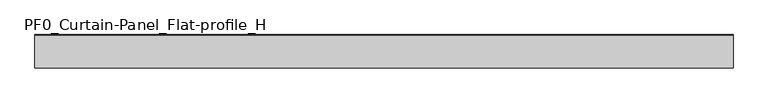
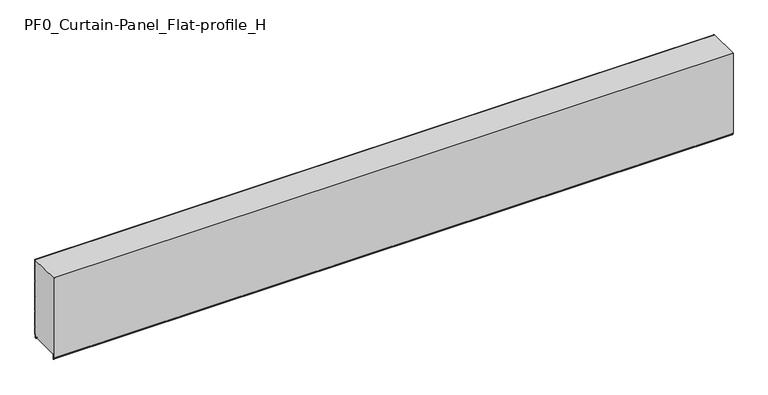
"""IFC4 building model written with IfcOpenShell, lengths in millimetres: plate geometry, PF0_Curtain-Panel_Flat-profile_H."""

from ifc_helpers import new_model, si_unit, point, frame, frame_2d, origin, place, context, project, spatial, polyline, circle_curve, trimmed, segment, composite_curve, outline, extrude, source, transform, mapped, element, save


def pf0_curtain_panel_flat_profile_h_22457aad(model_context):
    return source(origin(), model_context, "Body", "SweptSolid", [
        extrude(outline(composite_curve([segment(polyline([(-15.878557, 0.0), (-20.0, 0.0), (-20.0, 0.8), (-15.878557, 0.8)]), True, "CONTINUOUS"), segment(trimmed(circle_curve(frame_2d((-15.878557, -2.0)), 2.8), [point((-15.878557, 0.8))], [point((-13.1503208, -1.370137))], False, "CARTESIAN"), True, "CONTINUOUS"), segment(polyline([(-13.1503208, -1.370137), (-11.728236, -7.529863)]), True, "CONTINUOUS"), segment(trimmed(circle_curve(frame_2d((-9.0, -6.9)), 2.8), [point((-11.728236, -7.529863))], [point((-6.2, -6.9))], True, "CARTESIAN"), True, "CONTINUOUS"), segment(polyline([(-6.2, -6.9), (-6.2, 8.6)]), True, "CONTINUOUS"), segment(trimmed(circle_curve(frame_2d((-3.4, 8.6)), 2.8), [point((-6.2, 8.6))], [point((-3.4, 11.4))], False, "CARTESIAN"), True, "CONTINUOUS"), segment(polyline([(-3.4, 11.4), (-2.0, 11.4)]), True, "CONTINUOUS"), segment(trimmed(circle_curve(frame_2d((-2.0, 12.6)), 1.2), [point((-2.0, 11.4))], [point((-0.8, 12.6))], True, "CARTESIAN"), True, "CONTINUOUS"), segment(polyline([(-0.8, 12.6), (-0.8, 57.6856412), (-2.482606, 60.6), (-0.8, 63.5143588), (-0.8, 157.6856412), (-2.482606, 160.6), (-0.8, 163.5143588), (-0.8, 257.6856412), (-2.482606, 260.6), (-0.8, 263.5143588), (-0.8, 357.6856412), (-2.482606, 360.6), (-0.8, 363.5143588), (-0.8, 457.6856412), (-2.482606, 460.6), (-0.8, 463.5143588), (-0.8, 500.0), (0.0, 500.0), (0.0, 463.2999995), (-1.5588455, 460.6), (0.0, 457.9000005), (0.0, 363.2999995), (-1.5588455, 360.6), (0.0, 357.9000005), (0.0, 263.2999995), (-1.5588455, 260.6), (0.0, 257.9000005), (0.0, 163.2999995), (-1.5588455, 160.6), (0.0, 157.9000005), (0.0, 63.2999995), (-1.5588455, 60.6), (0.0, 57.9000005), (0.0, 12.6)]), True, "CONTINUOUS"), segment(trimmed(circle_curve(frame_2d((-2.0, 12.6)), 2.0), [point((0.0, 12.6))], [point((-2.0, 10.6))], False, "CARTESIAN"), True, "CONTINUOUS"), segment(polyline([(-2.0, 10.6), (-3.4, 10.6)]), True, "CONTINUOUS"), segment(trimmed(circle_curve(frame_2d((-3.4, 8.6)), 2.0), [point((-3.4, 10.6))], [point((-5.4, 8.6))], True, "CARTESIAN"), True, "CONTINUOUS"), segment(polyline([(-5.4, 8.6), (-5.4, -6.9)]), True, "CONTINUOUS"), segment(trimmed(circle_curve(frame_2d((-9.0, -6.9)), 3.6), [point((-5.4, -6.9))], [point((-12.5077322, -7.7098239))], False, "CARTESIAN"), True, "CONTINUOUS"), segment(polyline([(-12.5077322, -7.7098239), (-13.929817, -1.5500979)]), True, "CONTINUOUS"), segment(trimmed(circle_curve(frame_2d((-15.878557, -2.0)), 2.0), [point((-13.929817, -1.5500979))], [point((-15.878557, 0.0))], True, "CARTESIAN"), True, "CONTINUOUS")], self_intersect=False)), frame((-2100.0, 0.0, 0.0), z_axis=(1.0, 0.0, 0.0), x_axis=(0.0, 1.0, 0.0)), (0.0, 0.0, 1.0), 4200.0),
        extrude(outline(composite_curve([segment(polyline([(-190.0, 0.8), (-193.5, 0.8)]), True, "CONTINUOUS"), segment(trimmed(circle_curve(frame_2d((-193.5, -2.0)), 2.8), [point((-193.5, 0.8))], [point((-196.3, -2.0))], True, "CARTESIAN"), True, "CONTINUOUS"), segment(polyline([(-196.3, -2.0), (-196.3, -32.8700312)]), True, "CONTINUOUS"), segment(trimmed(circle_curve(frame_2d((-196.6, -32.8700312)), 0.3), [point((-196.3, -32.8700312))], [point((-196.9, -32.8700312))], False, "CARTESIAN"), True, "CONTINUOUS"), segment(polyline([(-196.9, -32.8700312), (-196.9, -26.9)]), True, "CONTINUOUS"), segment(trimmed(circle_curve(frame_2d((-198.6133333, -26.9)), 1.7133333), [point((-196.9, -26.9))], [point((-198.4, -25.2))], True, "CARTESIAN"), True, "CONTINUOUS"), segment(trimmed(circle_curve(frame_2d((-198.4, -24.4)), 0.8), [point((-198.4, -25.2))], [point((-199.2, -24.4))], False, "CARTESIAN"), True, "CONTINUOUS"), segment(polyline([(-199.2, -24.4), (-199.2, 500.0), (-0.8, 500.0), (-0.8, 463.5143588), (-2.482606, 460.6), (-0.8, 457.6856412), (-0.8, 363.5143588), (-2.482606, 360.6), (-0.8, 357.6856412), (-0.8, 263.5143588), (-2.482606, 260.6), (-0.8, 257.6856412), (-0.8, 163.5143588), (-2.482606, 160.6), (-0.8, 157.6856412), (-0.8, 63.5143588), (-2.482606, 60.6), (-0.8, 57.6856412), (-0.8, 12.6)]), True, "CONTINUOUS"), segment(trimmed(circle_curve(frame_2d((-2.0, 12.6)), 1.2), [point((-0.8, 12.6))], [point((-2.0, 11.4))], False, "CARTESIAN"), True, "CONTINUOUS"), segment(polyline([(-2.0, 11.4), (-3.4, 11.4)]), True, "CONTINUOUS"), segment(trimmed(circle_curve(frame_2d((-3.4, 8.6)), 2.8), [point((-3.4, 11.4))], [point((-6.2, 8.6))], True, "CARTESIAN"), True, "CONTINUOUS"), segment(polyline([(-6.2, 8.6), (-6.2, -6.9)]), True, "CONTINUOUS"), segment(trimmed(circle_curve(frame_2d((-9.0, -6.9)), 2.8), [point((-6.2, -6.9))], [point((-11.7282362, -7.529863))], False, "CARTESIAN"), True, "CONTINUOUS"), segment(polyline([(-11.7282362, -7.529863), (-13.1503208, -1.370137)]), True, "CONTINUOUS"), segment(trimmed(circle_curve(frame_2d((-15.878557, -2.0)), 2.8), [point((-13.1503208, -1.370137))], [point((-15.878557, 0.8))], True, "CARTESIAN"), True, "CONTINUOUS"), segment(polyline([(-15.878557, 0.8), (-20.0, 0.8), (-20.0, 0.0), (-190.0, 0.0), (-190.0, 0.8)]), True, "CONTINUOUS")], self_intersect=False)), frame((-2100.0, 0.0, 0.0), z_axis=(1.0, 0.0, 0.0), x_axis=(0.0, 1.0, 0.0)), (0.0, 0.0, 1.0), 4200.0),
        extrude(outline(composite_curve([segment(polyline([(-190.0, 0.0), (-193.5, 0.0)]), True, "CONTINUOUS"), segment(trimmed(circle_curve(frame_2d((-193.5, -2.0)), 2.0), [point((-193.5, 0.0))], [point((-195.5, -2.0))], True, "CARTESIAN"), True, "CONTINUOUS"), segment(polyline([(-195.5, -2.0), (-195.5, -33.0)]), True, "CONTINUOUS"), segment(trimmed(circle_curve(frame_2d((-196.5, -33.0)), 1.0), [point((-195.5, -33.0))], [point((-197.5, -33.0))], False, "CARTESIAN"), True, "CONTINUOUS"), segment(polyline([(-197.5, -33.0), (-197.5, -26.9)]), True, "CONTINUOUS"), segment(trimmed(circle_curve(frame_2d((-198.4, -26.9)), 0.9), [point((-197.5, -26.9))], [point((-198.4, -26.0))], True, "CARTESIAN"), True, "CONTINUOUS"), segment(trimmed(circle_curve(frame_2d((-198.4, -24.4)), 1.6), [point((-198.4, -26.0))], [point((-200.0, -24.4))], False, "CARTESIAN"), True, "CONTINUOUS"), segment(polyline([(-200.0, -24.4), (-200.0, 500.0), (-199.2, 500.0), (-199.2, -24.4)]), True, "CONTINUOUS"), segment(trimmed(circle_curve(frame_2d((-198.4, -24.4)), 0.8), [point((-199.2, -24.4))], [point((-198.4, -25.2))], True, "CARTESIAN"), True, "CONTINUOUS"), segment(trimmed(circle_curve(frame_2d((-198.6133333, -26.9)), 1.7133333), [point((-198.4, -25.2))], [point((-196.9, -26.9))], False, "CARTESIAN"), True, "CONTINUOUS"), segment(polyline([(-196.9, -26.9), (-196.9, -32.8700312)]), True, "CONTINUOUS"), segment(trimmed(circle_curve(frame_2d((-196.6, -32.8700312)), 0.3), [point((-196.9, -32.8700312))], [point((-196.3, -32.8700312))], True, "CARTESIAN"), True, "CONTINUOUS"), segment(polyline([(-196.3, -32.8700312), (-196.3, -2.0)]), True, "CONTINUOUS"), segment(trimmed(circle_curve(frame_2d((-193.5, -2.0)), 2.8), [point((-196.3, -2.0))], [point((-193.5, 0.8))], False, "CARTESIAN"), True, "CONTINUOUS"), segment(polyline([(-193.5, 0.8), (-190.0, 0.8), (-190.0, 0.0)]), True, "CONTINUOUS")], self_intersect=False)), frame((-2100.0, 0.0, 0.0), z_axis=(1.0, 0.0, 0.0), x_axis=(0.0, 1.0, 0.0)), (0.0, 0.0, 1.0), 4200.0),
    ])


if __name__ == "__main__":
    model = new_model("IFC4")
    model_context = context("Model", 3, world=origin())
    ifc_project = project(units=[si_unit("LENGTHUNIT", "METRE", prefix="MILLI")], contexts=[model_context])
    site = spatial("IfcSite", under=ifc_project)
    building = spatial("IfcBuilding", under=site)
    placement = place(None, origin())
    pf0_curtain_panel_flat_profile_h_shape = pf0_curtain_panel_flat_profile_h_22457aad(model_context)
    element("IfcPlate", 1, ObjectType="PF0_Curtain-Panel_Flat-profile_H", at=placement, inside=building, context=model_context, shape_type="MappedRepresentation", body=[
        mapped(pf0_curtain_panel_flat_profile_h_shape, transform((0.0, 0.0, 0.0), x_axis=(1.0, 0.0, 0.0), y_axis=(0.0, 1.0, 0.0), z_axis=(0.0, 0.0, 1.0))),
    ])
    save(model, "model.ifc")
